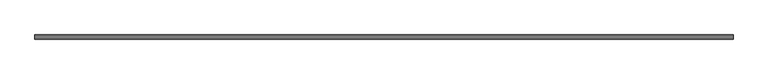
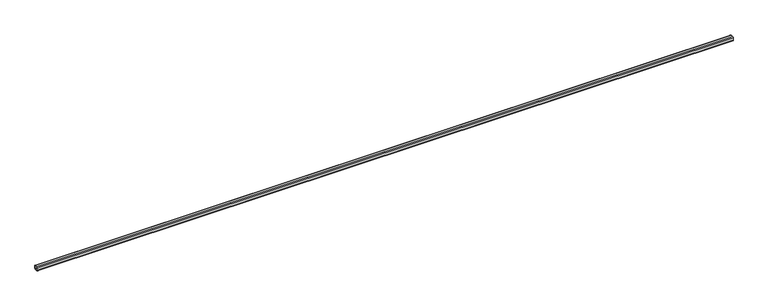
"""IFC4 building model written with IfcOpenShell, lengths in millimetres: beam geometry."""

from ifc_helpers import new_model, si_unit, point, frame, frame_2d, origin, place, context, project, spatial, polyline, circle_curve, trimmed, segment, composite_curve, outline, extrude, source, transform, mapped, element, save


def beam_26c6b2e9(model_context):
    return source(origin(), model_context, "Body", "SweptSolid", [
        extrude(outline(composite_curve([segment(polyline([(-33.0, 50.0), (33.0, 50.0)]), True, "CONTINUOUS"), segment(trimmed(circle_curve(frame_2d((33.0, 33.0)), 17.0), [point((33.0, 50.0))], [point((50.0, 33.0))], False, "CARTESIAN"), True, "CONTINUOUS"), segment(polyline([(50.0, 33.0), (50.0, -33.0)]), True, "CONTINUOUS"), segment(trimmed(circle_curve(frame_2d((33.0, -33.0)), 17.0), [point((50.0, -33.0))], [point((33.0, -50.0))], False, "CARTESIAN"), True, "CONTINUOUS"), segment(polyline([(33.0, -50.0), (-33.0, -50.0)]), True, "CONTINUOUS"), segment(trimmed(circle_curve(frame_2d((-33.0, -33.0)), 17.0), [point((-33.0, -50.0))], [point((-50.0, -33.0))], False, "CARTESIAN"), True, "CONTINUOUS"), segment(polyline([(-50.0, -33.0), (-50.0, 33.0)]), True, "CONTINUOUS"), segment(trimmed(circle_curve(frame_2d((-33.0, 33.0)), 17.0), [point((-50.0, 33.0))], [point((-33.0, 50.0))], False, "CARTESIAN"), True, "CONTINUOUS")], self_intersect=False), holes=[composite_curve([segment(trimmed(circle_curve(frame_2d((-33.0, 33.0)), 12.0), [point((-33.0, 45.0))], [point((-45.0, 33.0))], True, "CARTESIAN"), True, "CONTINUOUS"), segment(polyline([(-45.0, 33.0), (-45.0, -33.0)]), True, "CONTINUOUS"), segment(trimmed(circle_curve(frame_2d((-33.0, -33.0)), 12.0), [point((-45.0, -33.0))], [point((-33.0, -45.0))], True, "CARTESIAN"), True, "CONTINUOUS"), segment(polyline([(-33.0, -45.0), (33.0, -45.0)]), True, "CONTINUOUS"), segment(trimmed(circle_curve(frame_2d((33.0, -33.0)), 12.0), [point((33.0, -45.0))], [point((45.0, -33.0))], True, "CARTESIAN"), True, "CONTINUOUS"), segment(polyline([(45.0, -33.0), (45.0, 33.0)]), True, "CONTINUOUS"), segment(trimmed(circle_curve(frame_2d((33.0, 33.0)), 12.0), [point((45.0, 33.0))], [point((33.0, 45.0))], True, "CARTESIAN"), True, "CONTINUOUS"), segment(polyline([(33.0, 45.0), (-33.0, 45.0)]), True, "CONTINUOUS")], self_intersect=False)]), frame((-8460.0, 0.0, 0.0), z_axis=(1.0, 0.0, 0.0), x_axis=(0.0, 1.0, 0.0)), (0.0, 0.0, 1.0), 16920.0),
    ])


if __name__ == "__main__":
    model = new_model("IFC4")
    model_context = context("Model", 3, world=origin())
    ifc_project = project(units=[si_unit("LENGTHUNIT", "METRE", prefix="MILLI")], contexts=[model_context])
    site = spatial("IfcSite", under=ifc_project)
    building = spatial("IfcBuilding", under=site)
    placement = place(None, origin())
    beam_shape = beam_26c6b2e9(model_context)
    element("IfcBeam", 1, at=placement, inside=building, context=model_context, shape_type="MappedRepresentation", body=[
        mapped(beam_shape, transform((0.0, 0.0, 0.0), x_axis=(1.0, 0.0, 0.0), y_axis=(0.0, 1.0, 0.0), z_axis=(0.0, 0.0, 1.0))),
    ])
    save(model, "model.ifc")
